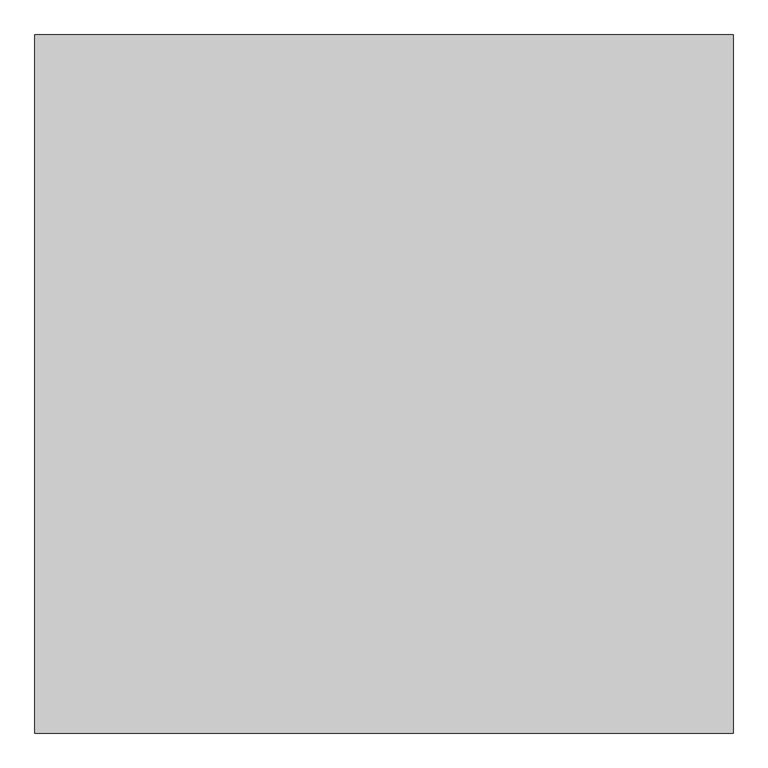
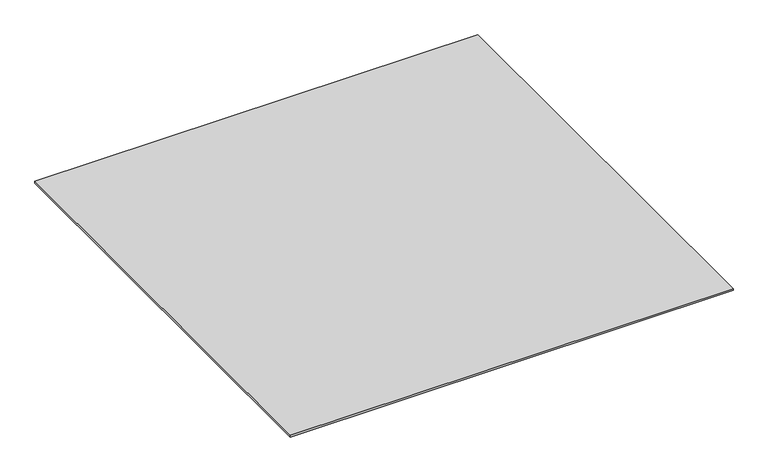
"""IFC4 building model written with IfcOpenShell, lengths in millimetres: proxy geometry."""

from ifc_helpers import new_model, si_unit, origin, origin_with_axes, place, context, project, spatial, polyline, outline, extrude, source, transform, mapped, element, save


def generic_models_bf408646(model_context):
    return source(origin(), model_context, "Body", "SweptSolid", [
        extrude(outline(polyline([(7403.0762132, -35187.355679), (7403.0762132, -36187.355679), (6403.0762132, -36187.355679), (6403.0762132, -35187.355679), (7403.0762132, -35187.355679)])), origin_with_axes(), (0.0, 0.0, 1.0), 4.0),
    ])


if __name__ == "__main__":
    model = new_model("IFC4")
    model_context = context("Model", 3, world=origin())
    ifc_project = project(units=[si_unit("LENGTHUNIT", "METRE", prefix="MILLI")], contexts=[model_context])
    site = spatial("IfcSite", under=ifc_project)
    building = spatial("IfcBuilding", under=site)
    placement = place(None, origin())
    generic_models_shape = generic_models_bf408646(model_context)
    element("IfcBuildingElementProxy", 1, Name="Generic Models", at=placement, inside=building, context=model_context, shape_type="MappedRepresentation", body=[
        mapped(generic_models_shape, transform((0.0, 0.0, 0.0), x_axis=(1.0, 0.0, 0.0), y_axis=(0.0, 1.0, 0.0), z_axis=(0.0, 0.0, 1.0))),
    ])
    save(model, "model.ifc")
